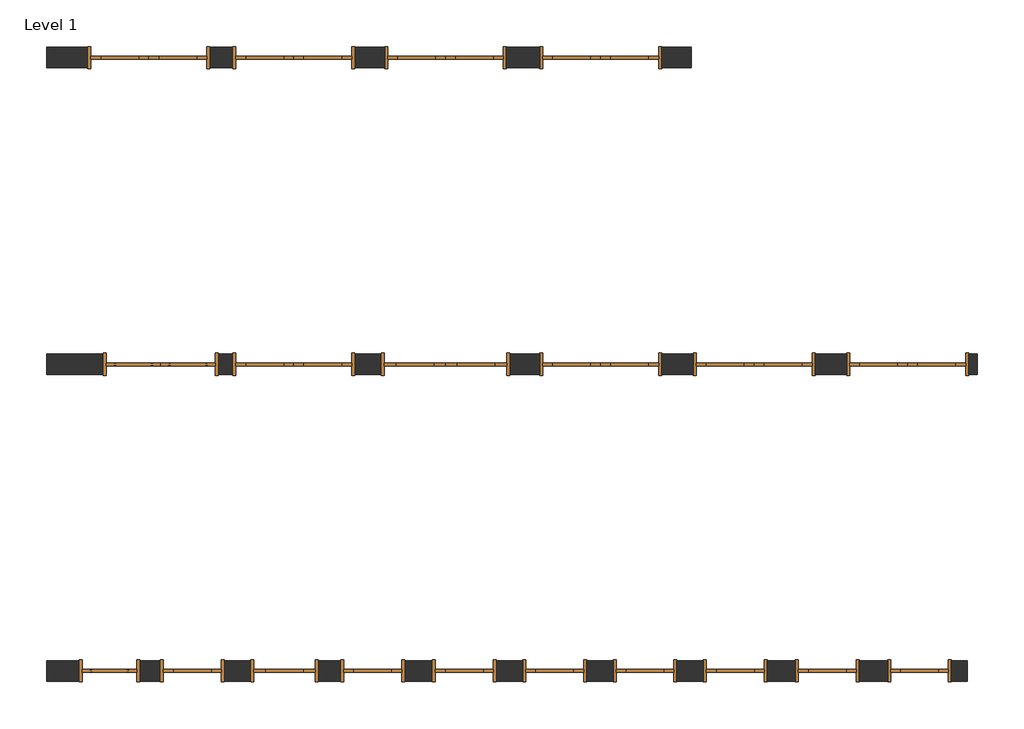
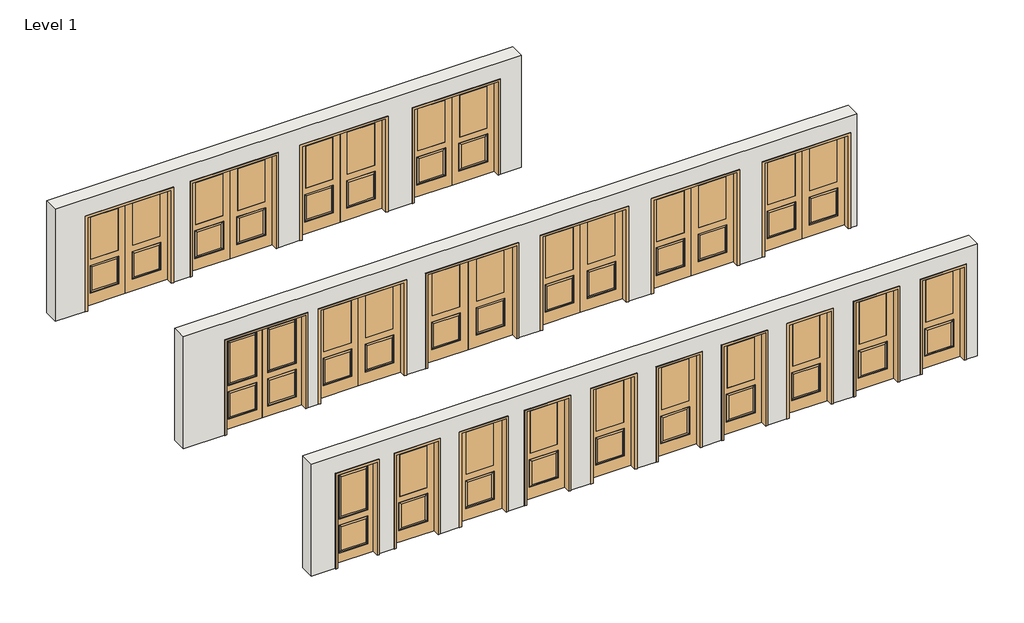
# One storey: 20 doors, 3 walls.
"""IFC4 building model written with IfcOpenShell, lengths in millimetres."""

import ifcopenshell
import ifcopenshell.guid

model = None  # the IFC model being written
_history = None  # IfcOwnerHistory: only IFC2X3 demands one
_inside = {}  # id of a spatial element -> (the spatial element, [elements in it])
_under = {}  # id of a project, library or spatial element -> (it, [spatial elements below it])
_declared = {}  # id of a project -> (the project, [libraries it declares])
_typed = {}  # id of a type object -> (the type object, [elements of that type])
_made_of = {}  # id of a material, layer set ... -> (it, [elements and type objects made of it])


def new_model(schema):
    """Start an empty IFC model of exactly this schema.

    Asked for "IFC4X3", IfcOpenShell would pick the latest addendum, in which some entities
    have other attributes; the version numbers below select the first issue.
    IFC2X3 requires an IfcOwnerHistory on every rooted entity: one is made here for all.
    """
    global model, _history
    if schema == "IFC4X3":
        model = ifcopenshell.file(schema_version=(4, 3, 0, 0))
    else:
        model = ifcopenshell.file(schema=schema)
    _inside.clear()
    _under.clear()
    _declared.clear()
    _typed.clear()
    _made_of.clear()
    _history = None
    if model.schema == "IFC2X3":
        org = make("IfcOrganization", Name="unknown")
        user = make(
            "IfcPersonAndOrganization",
            ThePerson=make("IfcPerson", FamilyName="unknown"),
            TheOrganization=org,
        )
        app = make(
            "IfcApplication",
            ApplicationDeveloper=org,
            Version="unknown",
            ApplicationFullName="unknown",
            ApplicationIdentifier="unknown",
        )
        _history = make(
            "IfcOwnerHistory",
            OwningUser=user,
            OwningApplication=app,
            ChangeAction="ADDED",
            CreationDate=0,
        )
    return model


def make(cls, **values):
    """One entity of the class cls with the attributes given. An attribute that is None is left unset."""
    return model.create_entity(
        cls, **{name: value for name, value in values.items() if value is not None}
    )


def rooted(cls, **values):
    """An entity with a GlobalId (a new one), such as an element, a storey or a relation."""
    return make(cls, GlobalId=ifcopenshell.guid.new(), OwnerHistory=_history, **values)


def si_unit(unit_type, name, prefix=None):
    """IfcSIUnit, for example si_unit("LENGTHUNIT", "METRE", prefix="MILLI")."""
    return make("IfcSIUnit", UnitType=unit_type, Prefix=prefix, Name=name)


def assignment(units):
    """IfcUnitAssignment: the units of a project."""
    return None if units is None else make("IfcUnitAssignment", Units=units)


def point(xyz):
    """IfcCartesianPoint."""
    return None if xyz is None else make("IfcCartesianPoint", Coordinates=xyz)


def direction(xyz):
    """IfcDirection."""
    return None if xyz is None else make("IfcDirection", DirectionRatios=xyz)


def frame(location, z_axis=None, x_axis=None):
    """IfcAxis2Placement3D, a coordinate frame: its origin and axes. An axis left out is left unset."""
    return make(
        "IfcAxis2Placement3D",
        Location=point(location),
        Axis=direction(z_axis),
        RefDirection=direction(x_axis),
    )


def origin():
    """The frame at (0, 0, 0) with its axes left unset."""
    return frame((0.0, 0.0, 0.0))


def place(relative_to, where):
    """IfcLocalPlacement: puts the frame where relative to a parent placement (None: the world)."""
    return make(
        "IfcLocalPlacement", PlacementRelTo=relative_to, RelativePlacement=where
    )


def context(
    kind, dimensions, precision=None, world=None, true_north=None, identifier=None
):
    """IfcGeometricRepresentationContext, for example the 3D "Model" context."""
    return make(
        "IfcGeometricRepresentationContext",
        ContextIdentifier=identifier,
        ContextType=kind,
        CoordinateSpaceDimension=dimensions,
        Precision=precision,
        WorldCoordinateSystem=world,
        TrueNorth=true_north,
    )


def project(units=None, contexts=None):
    """IfcProject with its units and contexts."""
    return rooted(
        "IfcProject",
        Name="project",
        RepresentationContexts=contexts,
        UnitsInContext=assignment(units),
    )


def spatial(cls, under=None, at=None, **own):
    """A site, building, storey or space (cls), placed at a placement, below another one or the project."""
    s = rooted(cls, ObjectPlacement=at, **own)
    if under is not None:
        _under.setdefault(under.id(), (under, []))[1].append(s)
    return s


def polyline(points):
    """IfcPolyline through the points."""
    return make("IfcPolyline", Points=[point(p) for p in points])


def outline(outer, holes=None, kind="AREA"):
    """IfcArbitraryClosedProfileDef: a profile drawn as a closed curve; with holes, ...WithVoids."""
    if holes is None:
        return make("IfcArbitraryClosedProfileDef", ProfileType=kind, OuterCurve=outer)
    return make(
        "IfcArbitraryProfileDefWithVoids",
        ProfileType=kind,
        OuterCurve=outer,
        InnerCurves=holes,
    )


def extrude(swept, where, along, depth):
    """IfcExtrudedAreaSolid: the profile swept, set in the frame where, extruded along a direction by depth."""
    return make(
        "IfcExtrudedAreaSolid",
        SweptArea=swept,
        Position=where,
        ExtrudedDirection=direction(along),
        Depth=depth,
    )


def faces_of(points, faces, orient=None, outer=None):
    """IfcFace entities. A face is a list of loops; a loop is a list of indices into points, from 0.

    orient and outer hold one flag for each loop. By default every Orientation is true, the
    first loop of a face is its IfcFaceOuterBound and the others are IfcFaceBound.
    """
    made = []
    for i, loops in enumerate(faces):
        bounds = []
        for j, loop in enumerate(loops):
            is_outer = j == 0 if outer is None else outer[i][j]
            bounds.append(
                make(
                    "IfcFaceOuterBound" if is_outer else "IfcFaceBound",
                    Bound=make("IfcPolyLoop", Polygon=[points[k] for k in loop]),
                    Orientation=True if orient is None else orient[i][j],
                )
            )
        made.append(make("IfcFace", Bounds=bounds))
    return made


def faceted_brep(points, faces, orient=None, outer=None, voids=None):
    """IfcFacetedBrep: a solid bounded by flat faces; with voids (closed shells), ...WithVoids."""
    shared = [point(p) for p in points]
    hull = make("IfcClosedShell", CfsFaces=faces_of(shared, faces, orient, outer))
    if voids is None:
        return make("IfcFacetedBrep", Outer=hull)
    return make(
        "IfcFacetedBrepWithVoids",
        Outer=hull,
        Voids=[
            make(cls, CfsFaces=faces_of(shared, fs, o, b)) for cls, fs, o, b in voids
        ],
    )


def shape(context_of_items, identifier, shape_type, items):
    """IfcShapeRepresentation: the items that make up one representation, for example the "Body"."""
    return make(
        "IfcShapeRepresentation",
        ContextOfItems=context_of_items,
        RepresentationIdentifier=identifier,
        RepresentationType=shape_type,
        Items=items,
    )


def source(mapping_origin, context_of_items, identifier, shape_type, items):
    """IfcRepresentationMap: a shape defined once, which mapped items show again and again."""
    return make(
        "IfcRepresentationMap",
        MappingOrigin=mapping_origin,
        MappedRepresentation=shape(context_of_items, identifier, shape_type, items),
    )


def transform(
    local_origin,
    x_axis=None,
    y_axis=None,
    z_axis=None,
    scale=None,
    scale2=None,
    scale3=None,
    uniform=True,
):
    """IfcCartesianTransformationOperator3D, or its non-uniform kind. x_axis, y_axis, z_axis: its Axis1, 2, 3."""
    if uniform:
        return make(
            "IfcCartesianTransformationOperator3D",
            Axis1=direction(x_axis),
            Axis2=direction(y_axis),
            LocalOrigin=point(local_origin),
            Scale=scale,
            Axis3=direction(z_axis),
        )
    return make(
        "IfcCartesianTransformationOperator3DnonUniform",
        Axis1=direction(x_axis),
        Axis2=direction(y_axis),
        LocalOrigin=point(local_origin),
        Scale=scale,
        Axis3=direction(z_axis),
        Scale2=scale2,
        Scale3=scale3,
    )


def mapped(mapping_source, mapping_target):
    """IfcMappedItem: shows the shape of a source again, moved by a transform."""
    return make(
        "IfcMappedItem", MappingSource=mapping_source, MappingTarget=mapping_target
    )


def made_of(thing, what):
    """Note that an element or type object is made of a material, layer set ...; save() writes the relation."""
    if what is not None:
        _made_of.setdefault(what.id(), (what, []))[1].append(thing)
    return thing


def element(
    cls,
    number,
    at=None,
    inside=None,
    cuts=None,
    type_object=None,
    material=None,
    context=None,
    identifier="Body",
    shape_type=None,
    held_by="IfcProductDefinitionShape",
    body=None,
    shapes=None,
    **own,
):
    """One element of the class cls, such as IfcWall. Its Tag is "e" and its number.

    at: its placement. inside: the storey or other place that contains it. cuts: it is an
    opening in that element (IfcRelVoidsElement). A single representation is given by context,
    identifier, shape_type and body (its items); several are given by shapes. held_by: the class
    of the entity that holds the representations. save() writes the other relations.
    """
    e = rooted(cls, Tag="e%d" % number, ObjectPlacement=at, **own)
    if body is not None:
        shapes = [shape(context, identifier, shape_type, body)]
    if shapes is not None:
        e.Representation = make(held_by, Representations=shapes)
    if inside is not None:
        _inside.setdefault(inside.id(), (inside, []))[1].append(e)
    if cuts is not None:
        rooted(
            "IfcRelVoidsElement", RelatingBuildingElement=cuts, RelatedOpeningElement=e
        )
    if type_object is not None:
        _typed.setdefault(type_object.id(), (type_object, []))[1].append(e)
    return made_of(e, material)


def aggregate(whole, parts):
    """IfcRelAggregates: a whole, such as a stair, and the parts it consists of."""
    return rooted("IfcRelAggregates", RelatingObject=whole, RelatedObjects=parts)


def save(model, path):
    """Write the relations noted so far, then the file.

    IfcRelAggregates (storeys below a building ...), IfcRelContainedInSpatialStructure (elements
    in a storey), IfcRelDefinesByType, IfcRelAssociatesMaterial and IfcRelDeclares: one each for
    every whole, place, type object, material and project.
    """
    for whole, parts in _under.values():
        aggregate(whole, parts)
    for where, things in _inside.values():
        rooted(
            "IfcRelContainedInSpatialStructure",
            RelatedElements=things,
            RelatingStructure=where,
        )
    for kind, things in _typed.values():
        rooted("IfcRelDefinesByType", RelatedObjects=things, RelatingType=kind)
    for what, things in _made_of.values():
        rooted("IfcRelAssociatesMaterial", RelatedObjects=things, RelatingMaterial=what)
    for by, libraries in _declared.values():
        rooted("IfcRelDeclares", RelatingContext=by, RelatedDefinitions=libraries)
    model.write(path)


def door_double_limited_plastpro_knotty_alder_drk2b_42c6f4ba(model_context):
    return source(origin(), model_context, "Body", "SolidModel", [
        faceted_brep([(692.6947439, 13.2447439, 1896.0197439), (655.6375, 22.225, 1858.9625), (157.1625, 22.225, 1858.9625), (120.1052561, 13.2447439, 1896.0197439), (0.0, 22.225, 0.0), (812.8, 22.225, 0.0), (812.8, -22.225, 0.0), (0.0, -22.225, 0.0), (120.1052561, 13.2447439, 803.8197439), (111.125, 22.225, 812.8), (701.675, 22.225, 812.8), (692.6947439, 13.2447439, 803.8197439), (120.1052561, -13.2447439, 955.1302561), (111.125, -22.225, 946.15), (701.675, -22.225, 946.15), (692.6947439, -13.2447439, 955.1302561), (701.675, -22.225, 1905.0), (692.6947439, -13.2447439, 1896.0197439), (120.1052561, -13.2447439, 218.5302561), (111.125, -22.225, 209.55), (701.675, -22.225, 209.55), (692.6947439, -13.2447439, 218.5302561), (701.675, -22.225, 812.8), (111.125, -22.225, 812.8), (120.1052561, -13.2447439, 803.8197439), (692.6947439, -13.2447439, 803.8197439), (157.1625, -22.225, 255.5875), (157.1625, -22.225, 766.7625), (655.6375, -22.225, 766.7625), (111.125, 22.225, 1905.0), (701.675, 22.225, 1905.0), (0.0, 22.225, 2032.0), (0.0, -22.225, 2032.0), (655.6375, -22.225, 992.1875), (655.6375, -22.225, 1858.9625), (157.1625, -22.225, 1858.9625), (157.1625, -22.225, 992.1875), (812.8, -22.225, 2032.0), (111.125, -22.225, 1905.0), (655.6375, -22.225, 255.5875), (812.8, 22.225, 2032.0), (111.125, 22.225, 946.15), (701.675, 22.225, 946.15), (111.125, 22.225, 209.55), (701.675, 22.225, 209.55), (655.6375, 22.225, 992.1875), (157.1625, 22.225, 992.1875), (655.6375, 22.225, 766.7625), (655.6375, 22.225, 255.5875), (157.1625, 22.225, 255.5875), (157.1625, 22.225, 766.7625), (692.6947439, 13.2447439, 955.1302561), (120.1052561, 13.2447439, 955.1302561), (692.6947439, 13.2447439, 218.5302561), (120.1052561, 13.2447439, 218.5302561), (120.1052561, -13.2447439, 1896.0197439)], [[[0, 1, 2, 3]], [[4, 5, 6, 7]], [[8, 9, 10, 11]], [[12, 13, 14, 15]], [[14, 16, 17, 15]], [[18, 19, 20, 21]], [[22, 23, 24, 25]], [[26, 27, 24, 18]], [[25, 24, 27, 28]], [[3, 29, 30, 0]], [[31, 4, 7, 32]], [[33, 34, 35, 36]], [[32, 7, 6, 37], [13, 38, 16, 14], [19, 23, 22, 20]], [[39, 28, 27, 26]], [[37, 6, 5, 40]], [[40, 5, 4, 31], [29, 41, 42, 30], [9, 43, 44, 10]], [[1, 45, 46, 2]], [[47, 48, 49, 50]], [[30, 42, 51, 0]], [[42, 41, 52, 51]], [[3, 52, 41, 29]], [[2, 46, 52, 3]], [[51, 52, 46, 45]], [[0, 51, 45, 1]], [[10, 44, 53, 11]], [[44, 43, 54, 53]], [[8, 54, 43, 9]], [[11, 47, 50, 8]], [[50, 49, 54, 8]], [[53, 54, 49, 48]], [[11, 53, 48, 47]], [[12, 55, 38, 13]], [[15, 33, 36, 12]], [[36, 35, 55, 12]], [[15, 17, 34, 33]], [[20, 22, 25, 21]], [[18, 24, 23, 19]], [[21, 39, 26, 18]], [[21, 25, 28, 39]], [[31, 32, 37, 40]], [[16, 38, 55, 17]], [[17, 55, 35, 34]]]),
        faceted_brep([(-692.6947439, 13.2447439, 1896.0197439), (-120.1052561, 13.2447439, 1896.0197439), (-157.1625, 22.225, 1858.9625), (-655.6375, 22.225, 1858.9625), (0.0, 22.225, 0.0), (0.0, -22.225, 0.0), (-812.8, -22.225, 0.0), (-812.8, 22.225, 0.0), (-120.1052561, 13.2447439, 803.8197439), (-692.6947439, 13.2447439, 803.8197439), (-701.675, 22.225, 812.8), (-111.125, 22.225, 812.8), (-120.1052561, -13.2447439, 955.1302561), (-692.6947439, -13.2447439, 955.1302561), (-701.675, -22.225, 946.15), (-111.125, -22.225, 946.15), (-692.6947439, -13.2447439, 1896.0197439), (-701.675, -22.225, 1905.0), (-120.1052561, -13.2447439, 218.5302561), (-692.6947439, -13.2447439, 218.5302561), (-701.675, -22.225, 209.55), (-111.125, -22.225, 209.55), (-701.675, -22.225, 812.8), (-692.6947439, -13.2447439, 803.8197439), (-120.1052561, -13.2447439, 803.8197439), (-111.125, -22.225, 812.8), (-157.1625, -22.225, 255.5875), (-157.1625, -22.225, 766.7625), (-655.6375, -22.225, 766.7625), (-701.675, 22.225, 1905.0), (-111.125, 22.225, 1905.0), (0.0, 22.225, 2032.0), (0.0, -22.225, 2032.0), (-655.6375, -22.225, 255.5875), (-812.8, -22.225, 2032.0), (-111.125, -22.225, 1905.0), (-655.6375, -22.225, 992.1875), (-157.1625, -22.225, 992.1875), (-157.1625, -22.225, 1858.9625), (-655.6375, -22.225, 1858.9625), (-812.8, 22.225, 2032.0), (-655.6375, 22.225, 766.7625), (-157.1625, 22.225, 766.7625), (-157.1625, 22.225, 255.5875), (-655.6375, 22.225, 255.5875), (-701.675, 22.225, 209.55), (-111.125, 22.225, 209.55), (-701.675, 22.225, 946.15), (-111.125, 22.225, 946.15), (-157.1625, 22.225, 992.1875), (-655.6375, 22.225, 992.1875), (-692.6947439, 13.2447439, 955.1302561), (-120.1052561, 13.2447439, 955.1302561), (-692.6947439, 13.2447439, 218.5302561), (-120.1052561, 13.2447439, 218.5302561), (-120.1052561, -13.2447439, 1896.0197439)], [[[0, 1, 2, 3]], [[4, 5, 6, 7]], [[8, 9, 10, 11]], [[12, 13, 14, 15]], [[14, 13, 16, 17]], [[18, 19, 20, 21]], [[22, 23, 24, 25]], [[26, 18, 24, 27]], [[23, 28, 27, 24]], [[1, 0, 29, 30]], [[31, 32, 5, 4]], [[33, 26, 27, 28]], [[32, 34, 6, 5], [21, 20, 22, 25], [15, 14, 17, 35]], [[36, 37, 38, 39]], [[34, 40, 7, 6]], [[41, 42, 43, 44]], [[40, 31, 4, 7], [11, 10, 45, 46], [30, 29, 47, 48]], [[3, 2, 49, 50]], [[29, 0, 51, 47]], [[47, 51, 52, 48]], [[1, 30, 48, 52]], [[2, 1, 52, 49]], [[51, 50, 49, 52]], [[0, 3, 50, 51]], [[10, 9, 53, 45]], [[45, 53, 54, 46]], [[8, 11, 46, 54]], [[9, 8, 42, 41]], [[42, 8, 54, 43]], [[53, 44, 43, 54]], [[9, 41, 44, 53]], [[12, 15, 35, 55]], [[13, 12, 37, 36]], [[37, 12, 55, 38]], [[13, 36, 39, 16]], [[20, 19, 23, 22]], [[18, 21, 25, 24]], [[19, 18, 26, 33]], [[19, 33, 28, 23]], [[31, 40, 34, 32]], [[17, 16, 55, 35]], [[16, 39, 38, 55]]]),
        extrude(outline(polyline([(2076.45, -857.25), (0.0, -857.25), (0.0, -812.8), (2032.0, -812.8), (2032.0, 812.8), (0.0, 812.8), (0.0, 857.25), (2076.45, 857.25), (2076.45, -857.25)])), frame((0.0, -165.1, 0.0), z_axis=(0.0, 1.0, 0.0), x_axis=(0.0, 0.0, 1.0)), (0.0, 0.0, 1.0), 330.2),
    ])


def door_double_limited_plastpro_knotty_alder_drk2b_19b51cbb(model_context):
    return source(origin(), model_context, "Body", "SolidModel", [
        extrude(outline(polyline([(152.4, -22.225), (152.4, 22.225), (711.2, 22.225), (711.2, -22.225), (152.4, -22.225)])), frame((0.0, 0.0, 990.6), z_axis=(0.0, 0.0, 1.0), x_axis=(1.0, 0.0, 0.0)), (0.0, 0.0, 1.0), 914.4),
        faceted_brep([(0.0, 22.225, 0.0), (863.6, 22.225, 0.0), (863.6, -22.225, 0.0), (0.0, -22.225, 0.0), (0.0, 22.225, 2032.0), (0.0, -22.225, 2032.0), (863.6, -22.225, 2032.0), (136.525, -22.225, 254.0), (136.525, -22.225, 857.25), (727.075, -22.225, 857.25), (727.075, -22.225, 254.0), (711.2, -22.225, 1905.0), (711.2, -22.225, 990.6), (152.4, -22.225, 990.6), (152.4, -22.225, 1905.0), (681.0375, -22.225, 300.0375), (681.0375, -22.225, 811.2125), (182.5625, -22.225, 811.2125), (182.5625, -22.225, 300.0375), (863.6, 22.225, 2032.0), (136.525, 22.225, 857.25), (136.525, 22.225, 254.0), (727.075, 22.225, 254.0), (727.075, 22.225, 857.25), (152.4, 22.225, 1905.0), (152.4, 22.225, 990.6), (711.2, 22.225, 990.6), (711.2, 22.225, 1905.0), (681.0375, 22.225, 811.2125), (681.0375, 22.225, 300.0375), (182.5625, 22.225, 300.0375), (182.5625, 22.225, 811.2125), (145.5052561, 13.2447439, 848.2697439), (718.0947439, 13.2447439, 848.2697439), (718.0947439, 13.2447439, 262.9802561), (145.5052561, 13.2447439, 262.9802561), (145.5052561, -13.2447439, 262.9802561), (718.0947439, -13.2447439, 262.9802561), (718.0947439, -13.2447439, 848.2697439), (145.5052561, -13.2447439, 848.2697439)], [[[0, 1, 2, 3]], [[4, 0, 3, 5]], [[5, 3, 2, 6], [7, 8, 9, 10], [11, 12, 13, 14]], [[15, 16, 17, 18]], [[6, 2, 1, 19]], [[19, 1, 0, 4], [20, 21, 22, 23], [24, 25, 26, 27]], [[28, 29, 30, 31]], [[32, 20, 23, 33]], [[23, 22, 34, 33]], [[22, 21, 35, 34]], [[32, 35, 21, 20]], [[33, 28, 31, 32]], [[31, 30, 35, 32]], [[34, 35, 30, 29]], [[33, 34, 29, 28]], [[27, 26, 12, 11]], [[26, 25, 13, 12]], [[14, 13, 25, 24]], [[36, 7, 10, 37]], [[10, 9, 38, 37]], [[9, 8, 39, 38]], [[36, 39, 8, 7]], [[37, 15, 18, 36]], [[18, 17, 39, 36]], [[38, 39, 17, 16]], [[37, 38, 16, 15]], [[4, 5, 6, 19]], [[11, 14, 24, 27]]]),
        extrude(outline(polyline([(-152.4, -22.225), (-711.2, -22.225), (-711.2, 22.225), (-152.4, 22.225), (-152.4, -22.225)])), frame((0.0, 0.0, 990.6), z_axis=(0.0, 0.0, 1.0), x_axis=(1.0, 0.0, 0.0)), (0.0, 0.0, 1.0), 914.4),
        faceted_brep([(0.0, 22.225, 0.0), (0.0, -22.225, 0.0), (-863.6, -22.225, 0.0), (-863.6, 22.225, 0.0), (0.0, 22.225, 2032.0), (0.0, -22.225, 2032.0), (-681.0375, -22.225, 300.0375), (-182.5625, -22.225, 300.0375), (-182.5625, -22.225, 811.2125), (-681.0375, -22.225, 811.2125), (-863.6, -22.225, 2032.0), (-136.525, -22.225, 254.0), (-727.075, -22.225, 254.0), (-727.075, -22.225, 857.25), (-136.525, -22.225, 857.25), (-711.2, -22.225, 1905.0), (-152.4, -22.225, 1905.0), (-152.4, -22.225, 990.6), (-711.2, -22.225, 990.6), (-863.6, 22.225, 2032.0), (-681.0375, 22.225, 811.2125), (-182.5625, 22.225, 811.2125), (-182.5625, 22.225, 300.0375), (-681.0375, 22.225, 300.0375), (-136.525, 22.225, 857.25), (-727.075, 22.225, 857.25), (-727.075, 22.225, 254.0), (-136.525, 22.225, 254.0), (-152.4, 22.225, 1905.0), (-711.2, 22.225, 1905.0), (-711.2, 22.225, 990.6), (-152.4, 22.225, 990.6), (-145.5052561, 13.2447439, 848.2697439), (-718.0947439, 13.2447439, 848.2697439), (-718.0947439, 13.2447439, 262.9802561), (-145.5052561, 13.2447439, 262.9802561), (-145.5052561, -13.2447439, 262.9802561), (-718.0947439, -13.2447439, 262.9802561), (-718.0947439, -13.2447439, 848.2697439), (-145.5052561, -13.2447439, 848.2697439)], [[[0, 1, 2, 3]], [[4, 5, 1, 0]], [[6, 7, 8, 9]], [[5, 10, 2, 1], [11, 12, 13, 14], [15, 16, 17, 18]], [[10, 19, 3, 2]], [[20, 21, 22, 23]], [[19, 4, 0, 3], [24, 25, 26, 27], [28, 29, 30, 31]], [[32, 33, 25, 24]], [[25, 33, 34, 26]], [[26, 34, 35, 27]], [[32, 24, 27, 35]], [[33, 32, 21, 20]], [[21, 32, 35, 22]], [[34, 23, 22, 35]], [[33, 20, 23, 34]], [[29, 15, 18, 30]], [[30, 18, 17, 31]], [[16, 28, 31, 17]], [[36, 37, 12, 11]], [[12, 37, 38, 13]], [[13, 38, 39, 14]], [[36, 11, 14, 39]], [[37, 36, 7, 6]], [[7, 36, 39, 8]], [[38, 9, 8, 39]], [[37, 6, 9, 38]], [[4, 19, 10, 5]], [[15, 29, 28, 16]]]),
        extrude(outline(polyline([(2076.45, -908.05), (0.0, -908.05), (0.0, -863.6), (2032.0, -863.6), (2032.0, 863.6), (0.0, 863.6), (0.0, 908.05), (2076.45, 908.05), (2076.45, -908.05)])), frame((0.0, -165.1, 0.0), z_axis=(0.0, 1.0, 0.0), x_axis=(0.0, 0.0, 1.0)), (0.0, 0.0, 1.0), 330.2),
    ])


def door_double_limited_plastpro_knotty_alder_drk2b_72d5d98a(model_context):
    return source(origin(), model_context, "Body", "SolidModel", [
        extrude(outline(polyline([(177.8, -22.225), (177.8, 22.225), (736.6, 22.225), (736.6, -22.225), (177.8, -22.225)])), frame((0.0, 0.0, 990.6), z_axis=(0.0, 0.0, 1.0), x_axis=(1.0, 0.0, 0.0)), (0.0, 0.0, 1.0), 914.4),
        faceted_brep([(0.0, 22.225, 0.0), (914.4, 22.225, 0.0), (914.4, -22.225, 0.0), (0.0, -22.225, 0.0), (0.0, 22.225, 2032.0), (0.0, -22.225, 2032.0), (914.4, -22.225, 2032.0), (161.925, -22.225, 254.0), (161.925, -22.225, 857.25), (752.475, -22.225, 857.25), (752.475, -22.225, 254.0), (736.6, -22.225, 1905.0), (736.6, -22.225, 990.6), (177.8, -22.225, 990.6), (177.8, -22.225, 1905.0), (706.4375, -22.225, 300.0375), (706.4375, -22.225, 811.2125), (207.9625, -22.225, 811.2125), (207.9625, -22.225, 300.0375), (914.4, 22.225, 2032.0), (161.925, 22.225, 857.25), (161.925, 22.225, 254.0), (752.475, 22.225, 254.0), (752.475, 22.225, 857.25), (177.8, 22.225, 1905.0), (177.8, 22.225, 990.6), (736.6, 22.225, 990.6), (736.6, 22.225, 1905.0), (706.4375, 22.225, 811.2125), (706.4375, 22.225, 300.0375), (207.9625, 22.225, 300.0375), (207.9625, 22.225, 811.2125), (170.9052561, 13.2447439, 848.2697439), (743.4947439, 13.2447439, 848.2697439), (743.4947439, 13.2447439, 262.9802561), (170.9052561, 13.2447439, 262.9802561), (170.9052561, -13.2447439, 262.9802561), (743.4947439, -13.2447439, 262.9802561), (743.4947439, -13.2447439, 848.2697439), (170.9052561, -13.2447439, 848.2697439)], [[[0, 1, 2, 3]], [[4, 0, 3, 5]], [[5, 3, 2, 6], [7, 8, 9, 10], [11, 12, 13, 14]], [[15, 16, 17, 18]], [[6, 2, 1, 19]], [[19, 1, 0, 4], [20, 21, 22, 23], [24, 25, 26, 27]], [[28, 29, 30, 31]], [[32, 20, 23, 33]], [[23, 22, 34, 33]], [[22, 21, 35, 34]], [[32, 35, 21, 20]], [[33, 28, 31, 32]], [[31, 30, 35, 32]], [[34, 35, 30, 29]], [[33, 34, 29, 28]], [[27, 26, 12, 11]], [[26, 25, 13, 12]], [[14, 13, 25, 24]], [[36, 7, 10, 37]], [[10, 9, 38, 37]], [[9, 8, 39, 38]], [[36, 39, 8, 7]], [[37, 15, 18, 36]], [[18, 17, 39, 36]], [[38, 39, 17, 16]], [[37, 38, 16, 15]], [[4, 5, 6, 19]], [[11, 14, 24, 27]]]),
        extrude(outline(polyline([(-177.8, -22.225), (-736.6, -22.225), (-736.6, 22.225), (-177.8, 22.225), (-177.8, -22.225)])), frame((0.0, 0.0, 990.6), z_axis=(0.0, 0.0, 1.0), x_axis=(1.0, 0.0, 0.0)), (0.0, 0.0, 1.0), 914.4),
        faceted_brep([(0.0, 22.225, 0.0), (0.0, -22.225, 0.0), (-914.4, -22.225, 0.0), (-914.4, 22.225, 0.0), (0.0, 22.225, 2032.0), (0.0, -22.225, 2032.0), (-706.4375, -22.225, 300.0375), (-207.9625, -22.225, 300.0375), (-207.9625, -22.225, 811.2125), (-706.4375, -22.225, 811.2125), (-914.4, -22.225, 2032.0), (-161.925, -22.225, 254.0), (-752.475, -22.225, 254.0), (-752.475, -22.225, 857.25), (-161.925, -22.225, 857.25), (-736.6, -22.225, 1905.0), (-177.8, -22.225, 1905.0), (-177.8, -22.225, 990.6), (-736.6, -22.225, 990.6), (-914.4, 22.225, 2032.0), (-706.4375, 22.225, 811.2125), (-207.9625, 22.225, 811.2125), (-207.9625, 22.225, 300.0375), (-706.4375, 22.225, 300.0375), (-161.925, 22.225, 857.25), (-752.475, 22.225, 857.25), (-752.475, 22.225, 254.0), (-161.925, 22.225, 254.0), (-177.8, 22.225, 1905.0), (-736.6, 22.225, 1905.0), (-736.6, 22.225, 990.6), (-177.8, 22.225, 990.6), (-170.9052561, 13.2447439, 848.2697439), (-743.4947439, 13.2447439, 848.2697439), (-743.4947439, 13.2447439, 262.9802561), (-170.9052561, 13.2447439, 262.9802561), (-170.9052561, -13.2447439, 262.9802561), (-743.4947439, -13.2447439, 262.9802561), (-743.4947439, -13.2447439, 848.2697439), (-170.9052561, -13.2447439, 848.2697439)], [[[0, 1, 2, 3]], [[4, 5, 1, 0]], [[6, 7, 8, 9]], [[5, 10, 2, 1], [11, 12, 13, 14], [15, 16, 17, 18]], [[10, 19, 3, 2]], [[20, 21, 22, 23]], [[19, 4, 0, 3], [24, 25, 26, 27], [28, 29, 30, 31]], [[32, 33, 25, 24]], [[25, 33, 34, 26]], [[26, 34, 35, 27]], [[32, 24, 27, 35]], [[33, 32, 21, 20]], [[21, 32, 35, 22]], [[34, 23, 22, 35]], [[33, 20, 23, 34]], [[29, 15, 18, 30]], [[30, 18, 17, 31]], [[16, 28, 31, 17]], [[36, 37, 12, 11]], [[12, 37, 38, 13]], [[13, 38, 39, 14]], [[36, 11, 14, 39]], [[37, 36, 7, 6]], [[7, 36, 39, 8]], [[38, 9, 8, 39]], [[37, 6, 9, 38]], [[4, 19, 10, 5]], [[15, 29, 28, 16]]]),
        extrude(outline(polyline([(2076.45, -958.85), (0.0, -958.85), (0.0, -914.4), (2032.0, -914.4), (2032.0, 914.4), (0.0, 914.4), (0.0, 958.85), (2076.45, 958.85), (2076.45, -958.85)])), frame((0.0, -165.1, 0.0), z_axis=(0.0, 1.0, 0.0), x_axis=(0.0, 0.0, 1.0)), (0.0, 0.0, 1.0), 330.2),
    ])


def door_single_limited_plastpro_knotty_alder_drk2b_ab4643fb(model_context):
    return source(origin(), model_context, "Body", "SolidModel", [
        faceted_brep([(-286.2947439, 13.2447439, 1896.0197439), (286.2947439, 13.2447439, 1896.0197439), (249.2375, 22.225, 1858.9625), (-249.2375, 22.225, 1858.9625), (406.4, 22.225, 0.0), (406.4, -22.225, 0.0), (-406.4, -22.225, 0.0), (-406.4, 22.225, 0.0), (286.2947439, 13.2447439, 803.8197439), (-286.2947439, 13.2447439, 803.8197439), (-295.275, 22.225, 812.8), (295.275, 22.225, 812.8), (286.2947439, -13.2447439, 955.1302561), (-286.2947439, -13.2447439, 955.1302561), (-295.275, -22.225, 946.15), (295.275, -22.225, 946.15), (-286.2947439, -13.2447439, 1896.0197439), (-295.275, -22.225, 1905.0), (286.2947439, -13.2447439, 218.5302561), (-286.2947439, -13.2447439, 218.5302561), (-295.275, -22.225, 209.55), (295.275, -22.225, 209.55), (-295.275, -22.225, 812.8), (-286.2947439, -13.2447439, 803.8197439), (286.2947439, -13.2447439, 803.8197439), (295.275, -22.225, 812.8), (249.2375, -22.225, 255.5875), (249.2375, -22.225, 766.7625), (-249.2375, -22.225, 766.7625), (-295.275, 22.225, 1905.0), (295.275, 22.225, 1905.0), (406.4, 22.225, 2032.0), (406.4, -22.225, 2032.0), (-249.2375, -22.225, 255.5875), (-406.4, -22.225, 2032.0), (295.275, -22.225, 1905.0), (-249.2375, -22.225, 992.1875), (249.2375, -22.225, 992.1875), (249.2375, -22.225, 1858.9625), (-249.2375, -22.225, 1858.9625), (-406.4, 22.225, 2032.0), (-249.2375, 22.225, 766.7625), (249.2375, 22.225, 766.7625), (249.2375, 22.225, 255.5875), (-249.2375, 22.225, 255.5875), (-295.275, 22.225, 209.55), (295.275, 22.225, 209.55), (-295.275, 22.225, 946.15), (295.275, 22.225, 946.15), (249.2375, 22.225, 992.1875), (-249.2375, 22.225, 992.1875), (-286.2947439, 13.2447439, 955.1302561), (286.2947439, 13.2447439, 955.1302561), (-286.2947439, 13.2447439, 218.5302561), (286.2947439, 13.2447439, 218.5302561), (286.2947439, -13.2447439, 1896.0197439)], [[[0, 1, 2, 3]], [[4, 5, 6, 7]], [[8, 9, 10, 11]], [[12, 13, 14, 15]], [[14, 13, 16, 17]], [[18, 19, 20, 21]], [[22, 23, 24, 25]], [[26, 18, 24, 27]], [[23, 28, 27, 24]], [[1, 0, 29, 30]], [[31, 32, 5, 4]], [[33, 26, 27, 28]], [[32, 34, 6, 5], [21, 20, 22, 25], [15, 14, 17, 35]], [[36, 37, 38, 39]], [[34, 40, 7, 6]], [[41, 42, 43, 44]], [[40, 31, 4, 7], [11, 10, 45, 46], [30, 29, 47, 48]], [[3, 2, 49, 50]], [[29, 0, 51, 47]], [[47, 51, 52, 48]], [[1, 30, 48, 52]], [[2, 1, 52, 49]], [[51, 50, 49, 52]], [[0, 3, 50, 51]], [[10, 9, 53, 45]], [[45, 53, 54, 46]], [[8, 11, 46, 54]], [[9, 8, 42, 41]], [[42, 8, 54, 43]], [[53, 44, 43, 54]], [[9, 41, 44, 53]], [[12, 15, 35, 55]], [[13, 12, 37, 36]], [[37, 12, 55, 38]], [[13, 36, 39, 16]], [[20, 19, 23, 22]], [[18, 21, 25, 24]], [[19, 18, 26, 33]], [[19, 33, 28, 23]], [[31, 40, 34, 32]], [[17, 16, 55, 35]], [[16, 39, 38, 55]]]),
        extrude(outline(polyline([(2076.45, -450.85), (0.0, -450.85), (0.0, -406.4), (2032.0, -406.4), (2032.0, 406.4), (0.0, 406.4), (0.0, 450.85), (2076.45, 450.85), (2076.45, -450.85)])), frame((0.0, -165.1, 0.0), z_axis=(0.0, 1.0, 0.0), x_axis=(0.0, 0.0, 1.0)), (0.0, 0.0, 1.0), 330.2),
    ])


def door_single_limited_plastpro_knotty_alder_drk2b_57d7305e(model_context):
    return source(origin(), model_context, "Body", "SolidModel", [
        extrude(outline(polyline([(279.4, -22.225), (-279.4, -22.225), (-279.4, 22.225), (279.4, 22.225), (279.4, -22.225)])), frame((0.0, 0.0, 990.6), z_axis=(0.0, 0.0, 1.0), x_axis=(1.0, 0.0, 0.0)), (0.0, 0.0, 1.0), 914.4),
        faceted_brep([(431.8, 22.225, 0.0), (431.8, -22.225, 0.0), (-431.8, -22.225, 0.0), (-431.8, 22.225, 0.0), (431.8, 22.225, 2032.0), (431.8, -22.225, 2032.0), (-249.2375, -22.225, 300.0375), (249.2375, -22.225, 300.0375), (249.2375, -22.225, 811.2125), (-249.2375, -22.225, 811.2125), (-431.8, -22.225, 2032.0), (295.275, -22.225, 254.0), (-295.275, -22.225, 254.0), (-295.275, -22.225, 857.25), (295.275, -22.225, 857.25), (-279.4, -22.225, 1905.0), (279.4, -22.225, 1905.0), (279.4, -22.225, 990.6), (-279.4, -22.225, 990.6), (-431.8, 22.225, 2032.0), (-249.2375, 22.225, 811.2125), (249.2375, 22.225, 811.2125), (249.2375, 22.225, 300.0375), (-249.2375, 22.225, 300.0375), (295.275, 22.225, 857.25), (-295.275, 22.225, 857.25), (-295.275, 22.225, 254.0), (295.275, 22.225, 254.0), (279.4, 22.225, 1905.0), (-279.4, 22.225, 1905.0), (-279.4, 22.225, 990.6), (279.4, 22.225, 990.6), (286.2947439, 13.2447439, 848.2697439), (-286.2947439, 13.2447439, 848.2697439), (-286.2947439, 13.2447439, 262.9802561), (286.2947439, 13.2447439, 262.9802561), (286.2947439, -13.2447439, 262.9802561), (-286.2947439, -13.2447439, 262.9802561), (-286.2947439, -13.2447439, 848.2697439), (286.2947439, -13.2447439, 848.2697439)], [[[0, 1, 2, 3]], [[4, 5, 1, 0]], [[6, 7, 8, 9]], [[5, 10, 2, 1], [11, 12, 13, 14], [15, 16, 17, 18]], [[10, 19, 3, 2]], [[20, 21, 22, 23]], [[19, 4, 0, 3], [24, 25, 26, 27], [28, 29, 30, 31]], [[32, 33, 25, 24]], [[25, 33, 34, 26]], [[26, 34, 35, 27]], [[32, 24, 27, 35]], [[33, 32, 21, 20]], [[21, 32, 35, 22]], [[34, 23, 22, 35]], [[33, 20, 23, 34]], [[29, 15, 18, 30]], [[30, 18, 17, 31]], [[16, 28, 31, 17]], [[36, 37, 12, 11]], [[12, 37, 38, 13]], [[13, 38, 39, 14]], [[36, 11, 14, 39]], [[37, 36, 7, 6]], [[7, 36, 39, 8]], [[38, 9, 8, 39]], [[37, 6, 9, 38]], [[4, 19, 10, 5]], [[15, 29, 28, 16]]]),
        extrude(outline(polyline([(2076.45, -476.25), (0.0, -476.25), (0.0, -431.8), (2032.0, -431.8), (2032.0, 431.8), (0.0, 431.8), (0.0, 476.25), (2076.45, 476.25), (2076.45, -476.25)])), frame((0.0, -165.1, 0.0), z_axis=(0.0, 1.0, 0.0), x_axis=(0.0, 0.0, 1.0)), (0.0, 0.0, 1.0), 330.2),
    ])


def door_single_limited_plastpro_knotty_alder_drk2b_025096c8(model_context):
    return source(origin(), model_context, "Body", "SolidModel", [
        extrude(outline(polyline([(279.4, -22.225), (-279.4, -22.225), (-279.4, 22.225), (279.4, 22.225), (279.4, -22.225)])), frame((0.0, 0.0, 990.6), z_axis=(0.0, 0.0, 1.0), x_axis=(1.0, 0.0, 0.0)), (0.0, 0.0, 1.0), 914.4),
        faceted_brep([(457.2, 22.225, 0.0), (457.2, -22.225, 0.0), (-457.2, -22.225, 0.0), (-457.2, 22.225, 0.0), (457.2, 22.225, 2032.0), (457.2, -22.225, 2032.0), (-249.2375, -22.225, 300.0375), (249.2375, -22.225, 300.0375), (249.2375, -22.225, 811.2125), (-249.2375, -22.225, 811.2125), (-457.2, -22.225, 2032.0), (295.275, -22.225, 254.0), (-295.275, -22.225, 254.0), (-295.275, -22.225, 857.25), (295.275, -22.225, 857.25), (-279.4, -22.225, 1905.0), (279.4, -22.225, 1905.0), (279.4, -22.225, 990.6), (-279.4, -22.225, 990.6), (-457.2, 22.225, 2032.0), (-249.2375, 22.225, 811.2125), (249.2375, 22.225, 811.2125), (249.2375, 22.225, 300.0375), (-249.2375, 22.225, 300.0375), (295.275, 22.225, 857.25), (-295.275, 22.225, 857.25), (-295.275, 22.225, 254.0), (295.275, 22.225, 254.0), (279.4, 22.225, 1905.0), (-279.4, 22.225, 1905.0), (-279.4, 22.225, 990.6), (279.4, 22.225, 990.6), (286.2947439, 13.2447439, 848.2697439), (-286.2947439, 13.2447439, 848.2697439), (-286.2947439, 13.2447439, 262.9802561), (286.2947439, 13.2447439, 262.9802561), (286.2947439, -13.2447439, 262.9802561), (-286.2947439, -13.2447439, 262.9802561), (-286.2947439, -13.2447439, 848.2697439), (286.2947439, -13.2447439, 848.2697439)], [[[0, 1, 2, 3]], [[4, 5, 1, 0]], [[6, 7, 8, 9]], [[5, 10, 2, 1], [11, 12, 13, 14], [15, 16, 17, 18]], [[10, 19, 3, 2]], [[20, 21, 22, 23]], [[19, 4, 0, 3], [24, 25, 26, 27], [28, 29, 30, 31]], [[32, 33, 25, 24]], [[25, 33, 34, 26]], [[26, 34, 35, 27]], [[32, 24, 27, 35]], [[33, 32, 21, 20]], [[21, 32, 35, 22]], [[34, 23, 22, 35]], [[33, 20, 23, 34]], [[29, 15, 18, 30]], [[30, 18, 17, 31]], [[16, 28, 31, 17]], [[36, 37, 12, 11]], [[12, 37, 38, 13]], [[13, 38, 39, 14]], [[36, 11, 14, 39]], [[37, 36, 7, 6]], [[7, 36, 39, 8]], [[38, 9, 8, 39]], [[37, 6, 9, 38]], [[4, 19, 10, 5]], [[15, 29, 28, 16]]]),
        extrude(outline(polyline([(2076.45, -501.65), (0.0, -501.65), (0.0, -457.2), (2032.0, -457.2), (2032.0, 457.2), (0.0, 457.2), (0.0, 501.65), (2076.45, 501.65), (2076.45, -501.65)])), frame((0.0, -165.1, 0.0), z_axis=(0.0, 1.0, 0.0), x_axis=(0.0, 0.0, 1.0)), (0.0, 0.0, 1.0), 330.2),
    ])


model = new_model("IFC4")

# Units and contexts
model_context = context("Model", 3, world=origin())
ifc_project = project(units=[si_unit("LENGTHUNIT", "METRE", prefix="MILLI")], contexts=[model_context])

# Site, building, storey
site = spatial("IfcSite", under=ifc_project)
building = spatial("IfcBuilding", under=site)
storey = spatial("IfcBuildingStorey", under=building, Name="Level 1", Elevation=0.0)

# Doors
placement = place(None, origin())
door_double_limited_plastpro_knotty_alder_drk2b_shape = door_double_limited_plastpro_knotty_alder_drk2b_42c6f4ba(model_context)
element("IfcDoor", 1, ObjectType="Door-Double_Limited_Plastpro_Knotty-Alder_DRK2B", at=placement, inside=storey, context=model_context, shape_type="MappedRepresentation", body=[
    mapped(door_double_limited_plastpro_knotty_alder_drk2b_shape, transform((-18050.9275857, 35483.0695262, 0.0), x_axis=(1.0, 0.0, 0.0), y_axis=(0.0, 1.0, 0.0), z_axis=(0.0, 0.0, 1.0))),
])
door_double_limited_plastpro_knotty_alder_drk2b_2_shape = door_double_limited_plastpro_knotty_alder_drk2b_19b51cbb(model_context)
element("IfcDoor", 2, ObjectType="Door-Double_Limited_Plastpro_Knotty-Alder_DRK2B", at=placement, inside=storey, context=model_context, shape_type="MappedRepresentation", body=[
    mapped(door_double_limited_plastpro_knotty_alder_drk2b_2_shape, transform((-16069.7275857, 35483.0695262, 0.0), x_axis=(1.0, 0.0, 0.0), y_axis=(0.0, 1.0, 0.0), z_axis=(0.0, 0.0, 1.0))),
])
door_double_limited_plastpro_knotty_alder_drk2b_3_shape = door_double_limited_plastpro_knotty_alder_drk2b_72d5d98a(model_context)
element("IfcDoor", 3, ObjectType="Door-Double_Limited_Plastpro_Knotty-Alder_DRK2B", at=placement, inside=storey, context=model_context, shape_type="MappedRepresentation", body=[
    mapped(door_double_limited_plastpro_knotty_alder_drk2b_3_shape, transform((-13809.1275857, 35483.0695262, 0.0), x_axis=(1.0, 0.0, 0.0), y_axis=(0.0, 1.0, 0.0), z_axis=(0.0, 0.0, 1.0))),
])
element("IfcDoor", 4, ObjectType="Door-Double_Limited_Plastpro_Knotty-Alder_DRK2B", at=placement, inside=storey, context=model_context, shape_type="MappedRepresentation", body=[
    mapped(door_double_limited_plastpro_knotty_alder_drk2b_2_shape, transform((-11497.7275857, 35483.0695262, 0.0), x_axis=(1.0, 0.0, 0.0), y_axis=(0.0, 1.0, 0.0), z_axis=(0.0, 0.0, 1.0))),
])
element("IfcDoor", 5, ObjectType="Door-Double_Limited_Plastpro_Knotty-Alder_DRK2B", at=placement, inside=storey, context=model_context, shape_type="MappedRepresentation", body=[
    mapped(door_double_limited_plastpro_knotty_alder_drk2b_2_shape, transform((-9211.7275857, 35483.0695262, 0.0), x_axis=(1.0, 0.0, 0.0), y_axis=(0.0, 1.0, 0.0), z_axis=(0.0, 0.0, 1.0))),
])
element("IfcDoor", 6, ObjectType="Door-Double_Limited_Plastpro_Knotty-Alder_DRK2B", at=placement, inside=storey, context=model_context, shape_type="MappedRepresentation", body=[
    mapped(door_double_limited_plastpro_knotty_alder_drk2b_2_shape, transform((-6925.7275857, 35483.0695262, 0.0), x_axis=(1.0, 0.0, 0.0), y_axis=(0.0, 1.0, 0.0), z_axis=(0.0, 0.0, 1.0))),
])
element("IfcDoor", 7, ObjectType="Door-Double_Limited_Plastpro_Knotty-Alder_DRK2B", at=placement, inside=storey, context=model_context, shape_type="MappedRepresentation", body=[
    mapped(door_double_limited_plastpro_knotty_alder_drk2b_2_shape, transform((-16069.7275857, 40055.0695262, 0.0), x_axis=(1.0, 0.0, 0.0), y_axis=(0.0, 1.0, 0.0), z_axis=(0.0, 0.0, 1.0))),
])
element("IfcDoor", 8, ObjectType="Door-Double_Limited_Plastpro_Knotty-Alder_DRK2B", at=placement, inside=storey, context=model_context, shape_type="MappedRepresentation", body=[
    mapped(door_double_limited_plastpro_knotty_alder_drk2b_2_shape, transform((-13809.1275857, 40055.0695262, 0.0), x_axis=(1.0, 0.0, 0.0), y_axis=(0.0, 1.0, 0.0), z_axis=(0.0, 0.0, 1.0))),
])
element("IfcDoor", 9, ObjectType="Door-Double_Limited_Plastpro_Knotty-Alder_DRK2B", at=placement, inside=storey, context=model_context, shape_type="MappedRepresentation", body=[
    mapped(door_double_limited_plastpro_knotty_alder_drk2b_2_shape, transform((-11497.7275857, 40055.0695262, 0.0), x_axis=(1.0, 0.0, 0.0), y_axis=(0.0, 1.0, 0.0), z_axis=(0.0, 0.0, 1.0))),
])
element("IfcDoor", 10, ObjectType="Door-Double_Limited_Plastpro_Knotty-Alder_DRK2B", at=placement, inside=storey, context=model_context, shape_type="MappedRepresentation", body=[
    mapped(door_double_limited_plastpro_knotty_alder_drk2b_2_shape, transform((-18228.7275857, 40055.0695262, 0.0), x_axis=(1.0, 0.0, 0.0), y_axis=(0.0, 1.0, 0.0), z_axis=(0.0, 0.0, 1.0))),
])
door_single_limited_plastpro_knotty_alder_drk2b_shape = door_single_limited_plastpro_knotty_alder_drk2b_ab4643fb(model_context)
element("IfcDoor", 11, ObjectType="Door-Single_Limited_Plastpro_Knotty-Alder_DRK2B", at=placement, inside=storey, context=model_context, shape_type="MappedRepresentation", body=[
    mapped(door_single_limited_plastpro_knotty_alder_drk2b_shape, transform((-18812.9275857, 30911.0695262, -12.7), x_axis=(1.0, 0.0, 0.0), y_axis=(0.0, 1.0, 0.0), z_axis=(0.0, 0.0, 1.0))),
])
door_single_limited_plastpro_knotty_alder_drk2b_2_shape = door_single_limited_plastpro_knotty_alder_drk2b_57d7305e(model_context)
element("IfcDoor", 12, ObjectType="Door-Single_Limited_Plastpro_Knotty-Alder_DRK2B", at=placement, inside=storey, context=model_context, shape_type="MappedRepresentation", body=[
    mapped(door_single_limited_plastpro_knotty_alder_drk2b_2_shape, transform((-17581.0275857, 30911.0695262, 0.0), x_axis=(1.0, 0.0, 0.0), y_axis=(0.0, 1.0, 0.0), z_axis=(0.0, 0.0, 1.0))),
])
element("IfcDoor", 13, ObjectType="Door-Single_Limited_Plastpro_Knotty-Alder_DRK2B", at=placement, inside=storey, context=model_context, shape_type="MappedRepresentation", body=[
    mapped(door_single_limited_plastpro_knotty_alder_drk2b_2_shape, transform((-14894.9775857, 30911.0695262, 0.0), x_axis=(1.0, 0.0, 0.0), y_axis=(0.0, 1.0, 0.0), z_axis=(0.0, 0.0, 1.0))),
])
element("IfcDoor", 14, ObjectType="Door-Single_Limited_Plastpro_Knotty-Alder_DRK2B", at=placement, inside=storey, context=model_context, shape_type="MappedRepresentation", body=[
    mapped(door_single_limited_plastpro_knotty_alder_drk2b_2_shape, transform((-13529.7275857, 30911.0695262, 0.0), x_axis=(1.0, 0.0, 0.0), y_axis=(0.0, 1.0, 0.0), z_axis=(0.0, 0.0, 1.0))),
])
element("IfcDoor", 15, ObjectType="Door-Single_Limited_Plastpro_Knotty-Alder_DRK2B", at=placement, inside=storey, context=model_context, shape_type="MappedRepresentation", body=[
    mapped(door_single_limited_plastpro_knotty_alder_drk2b_2_shape, transform((-12183.5275857, 30911.0695262, 0.0), x_axis=(1.0, 0.0, 0.0), y_axis=(0.0, 1.0, 0.0), z_axis=(0.0, 0.0, 1.0))),
])
element("IfcDoor", 16, ObjectType="Door-Single_Limited_Plastpro_Knotty-Alder_DRK2B", at=placement, inside=storey, context=model_context, shape_type="MappedRepresentation", body=[
    mapped(door_single_limited_plastpro_knotty_alder_drk2b_2_shape, transform((-10837.3275857, 30911.0695262, 0.0), x_axis=(1.0, 0.0, 0.0), y_axis=(0.0, 1.0, 0.0), z_axis=(0.0, 0.0, 1.0))),
])
element("IfcDoor", 17, ObjectType="Door-Single_Limited_Plastpro_Knotty-Alder_DRK2B", at=placement, inside=storey, context=model_context, shape_type="MappedRepresentation", body=[
    mapped(door_single_limited_plastpro_knotty_alder_drk2b_2_shape, transform((-9491.1275857, 30911.0695262, 0.0), x_axis=(1.0, 0.0, 0.0), y_axis=(0.0, 1.0, 0.0), z_axis=(0.0, 0.0, 1.0))),
])
element("IfcDoor", 18, ObjectType="Door-Single_Limited_Plastpro_Knotty-Alder_DRK2B", at=placement, inside=storey, context=model_context, shape_type="MappedRepresentation", body=[
    mapped(door_single_limited_plastpro_knotty_alder_drk2b_2_shape, transform((-8119.5275857, 30911.0695262, 0.0), x_axis=(1.0, 0.0, 0.0), y_axis=(0.0, 1.0, 0.0), z_axis=(0.0, 0.0, 1.0))),
])
element("IfcDoor", 19, ObjectType="Door-Single_Limited_Plastpro_Knotty-Alder_DRK2B", at=placement, inside=storey, context=model_context, shape_type="MappedRepresentation", body=[
    mapped(door_single_limited_plastpro_knotty_alder_drk2b_2_shape, transform((-6747.9275857, 30911.0695262, 0.0), x_axis=(1.0, 0.0, 0.0), y_axis=(0.0, 1.0, 0.0), z_axis=(0.0, 0.0, 1.0))),
])
door_single_limited_plastpro_knotty_alder_drk2b_3_shape = door_single_limited_plastpro_knotty_alder_drk2b_025096c8(model_context)
element("IfcDoor", 20, ObjectType="Door-Single_Limited_Plastpro_Knotty-Alder_DRK2B", at=placement, inside=storey, context=model_context, shape_type="MappedRepresentation", body=[
    mapped(door_single_limited_plastpro_knotty_alder_drk2b_3_shape, transform((-16209.4275857, 30911.0695262, 0.0), x_axis=(1.0, 0.0, 0.0), y_axis=(0.0, 1.0, 0.0), z_axis=(0.0, 0.0, 1.0))),
])

# Walls
element("IfcWall", 21, ObjectType="Exterior - 12\"", at=placement, inside=storey, context=model_context, shape_type="SweptSolid", body=[
    extrude(outline(polyline([(0.0, -6036.7275857), (2438.4, -6036.7275857), (2438.4, -19752.7275857), (0.0, -19752.7275857), (0.0, -19263.7775857), (2063.75, -19263.7775857), (2063.75, -18362.0775857), (0.0, -18362.0775857), (0.0, -18057.2775857), (2076.45, -18057.2775857), (2076.45, -17104.7775857), (0.0, -17104.7775857), (0.0, -16711.0775857), (2076.45, -16711.0775857), (2076.45, -15707.7775857), (0.0, -15707.7775857), (0.0, -15371.2275857), (2076.45, -15371.2275857), (2076.45, -14418.7275857), (0.0, -14418.7275857), (0.0, -14005.9775857), (2076.45, -14005.9775857), (2076.45, -13053.4775857), (0.0, -13053.4775857), (0.0, -12659.7775857), (2076.45, -12659.7775857), (2076.45, -11707.2775857), (0.0, -11707.2775857), (0.0, -11313.5775857), (2076.45, -11313.5775857), (2076.45, -10361.0775857), (0.0, -10361.0775857), (0.0, -9967.3775857), (2076.45, -9967.3775857), (2076.45, -9014.8775857), (0.0, -9014.8775857), (0.0, -8595.7775857), (2076.45, -8595.7775857), (2076.45, -7643.2775857), (0.0, -7643.2775857), (0.0, -7224.1775857), (2076.45, -7224.1775857), (2076.45, -6271.6775857), (0.0, -6271.6775857), (0.0, -6036.7275857)])), frame((0.0, 30758.6695262, 0.0), z_axis=(0.0, 1.0, 0.0), x_axis=(0.0, 0.0, 1.0)), (0.0, 0.0, 1.0), 304.8),
])
element("IfcWall", 22, ObjectType="Exterior - 12\"", at=placement, inside=storey, context=model_context, shape_type="SweptSolid", body=[
    extrude(outline(polyline([(2076.45, -6017.6775857), (0.0, -6017.6775857), (0.0, -5884.3275857), (2438.4, -5884.3275857), (2438.4, -19752.7275857), (0.0, -19752.7275857), (0.0, -18908.1775857), (2076.45, -18908.1775857), (2076.45, -17193.6775857), (0.0, -17193.6775857), (0.0, -16977.7775857), (2076.45, -16977.7775857), (2076.45, -15161.6775857), (0.0, -15161.6775857), (0.0, -14767.9775857), (2076.45, -14767.9775857), (2076.45, -12850.2775857), (0.0, -12850.2775857), (0.0, -12405.7775857), (2076.45, -12405.7775857), (2076.45, -10589.6775857), (0.0, -10589.6775857), (0.0, -10119.7775857), (2076.45, -10119.7775857), (2076.45, -8303.6775857), (0.0, -8303.6775857), (0.0, -7833.7775857), (2076.45, -7833.7775857), (2076.45, -6017.6775857)])), frame((0.0, 35330.6695262, 0.0), z_axis=(0.0, 1.0, 0.0), x_axis=(0.0, 0.0, 1.0)), (0.0, 0.0, 1.0), 304.8),
])
element("IfcWall", 23, ObjectType="Exterior - 12\"", at=placement, inside=storey, context=model_context, shape_type="SweptSolid", body=[
    extrude(outline(polyline([(2076.45, -10589.6775857), (0.0, -10589.6775857), (0.0, -10151.5275857), (2438.4, -10151.5275857), (2438.4, -19752.7275857), (0.0, -19752.7275857), (0.0, -19136.7775857), (2076.45, -19136.7775857), (2076.45, -17320.6775857), (0.0, -17320.6775857), (0.0, -16977.7775857), (2076.45, -16977.7775857), (2076.45, -15161.6775857), (0.0, -15161.6775857), (0.0, -14717.1775857), (2076.45, -14717.1775857), (2076.45, -12901.0775857), (0.0, -12901.0775857), (0.0, -12405.7775857), (2076.45, -12405.7775857), (2076.45, -10589.6775857)])), frame((0.0, 39902.6695262, 0.0), z_axis=(0.0, 1.0, 0.0), x_axis=(0.0, 0.0, 1.0)), (0.0, 0.0, 1.0), 304.8),
])

save(model, "model.ifc")
